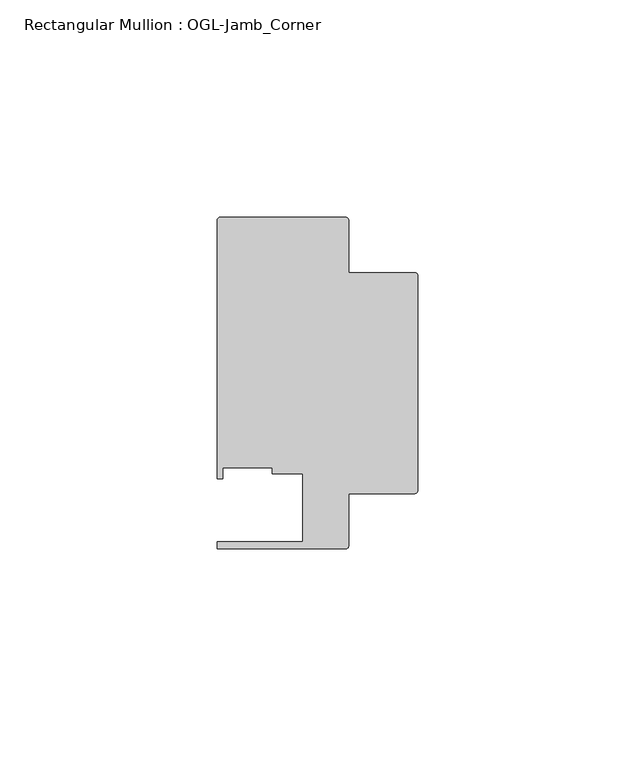
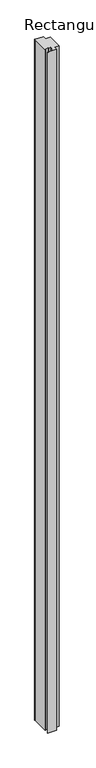
"""IFC4 building model written with IfcOpenShell, lengths in millimetres: member geometry, Rectangular Mullion : OGL-Jamb_Corner."""

from ifc_helpers import new_model, si_unit, point, frame, frame_2d, origin, place, context, project, spatial, polyline, circle_curve, trimmed, segment, composite_curve, outline, extrude, source, transform, mapped, element, save


def rectangular_mullion_ogl_jamb_corner_f4b1305f(model_context):
    return source(origin(), model_context, "Body", "SweptSolid", [
        extrude(outline(composite_curve([segment(trimmed(circle_curve(frame_2d((-0.5953125, 54.9671875)), 0.5953125), [point((-0.5953125, 55.5625))], [point((0.0, 54.9671875))], False, "CARTESIAN"), True, "CONTINUOUS"), segment(polyline([(0.0, 54.9671875), (0.0, 5.3578125)]), True, "CONTINUOUS"), segment(trimmed(circle_curve(frame_2d((-0.5953125, 5.3578125)), 0.5953125), [point((0.0, 5.3578125))], [point((-0.5953125, 4.7625))], False, "CARTESIAN"), True, "CONTINUOUS"), segment(polyline([(-0.5953125, 4.7625), (-15.8750672, 4.7625), (-15.8750672, -7.3422035)]), True, "CONTINUOUS"), segment(trimmed(circle_curve(frame_2d((-16.4703797, -7.3422035)), 0.5953125), [point((-15.8750672, -7.3422035))], [point((-16.4703797, -7.937516))], False, "CARTESIAN"), True, "CONTINUOUS"), segment(polyline([(-16.4703797, -7.937516), (-46.0248655, -7.937516), (-46.0248655, -6.350016), (-26.3720794, -6.350016), (-26.3720794, 9.3367652), (-33.3985545, 9.3367652), (-33.3985545, 10.6800725), (-44.7780305, 10.6800725), (-44.7780305, 8.1914024), (-46.0339598, 8.1914024), (-46.0339598, 67.6668667)]), True, "CONTINUOUS"), segment(trimmed(circle_curve(frame_2d((-45.4386473, 67.6668667)), 0.5953125), [point((-46.0339598, 67.6668667))], [point((-45.4386473, 68.2621792))], False, "CARTESIAN"), True, "CONTINUOUS"), segment(polyline([(-45.4386473, 68.2621792), (-16.4703797, 68.2621792)]), True, "CONTINUOUS"), segment(trimmed(circle_curve(frame_2d((-16.4703797, 67.6668667)), 0.5953125), [point((-16.4703797, 68.2621792))], [point((-15.8750672, 67.6668667))], False, "CARTESIAN"), True, "CONTINUOUS"), segment(polyline([(-15.8750672, 67.6668667), (-15.8750672, 55.5625), (-0.5953125, 55.5625)]), True, "CONTINUOUS")], self_intersect=False)), frame((0.0, 0.0, -2438.4), z_axis=(0.0, 0.0, 1.0), x_axis=(1.0, 0.0, 0.0)), (0.0, 0.0, 1.0), 2438.4),
    ])


if __name__ == "__main__":
    model = new_model("IFC4")
    model_context = context("Model", 3, world=origin())
    ifc_project = project(units=[si_unit("LENGTHUNIT", "METRE", prefix="MILLI")], contexts=[model_context])
    site = spatial("IfcSite", under=ifc_project)
    building = spatial("IfcBuilding", under=site)
    placement = place(None, origin())
    rectangular_mullion_ogl_jamb_corner_shape = rectangular_mullion_ogl_jamb_corner_f4b1305f(model_context)
    element("IfcMember", 1, ObjectType="Rectangular Mullion : OGL-Jamb_Corner", at=placement, inside=building, context=model_context, shape_type="MappedRepresentation", body=[
        mapped(rectangular_mullion_ogl_jamb_corner_shape, transform((0.0, 0.0, 0.0), x_axis=(1.0, 0.0, 0.0), y_axis=(0.0, 1.0, 0.0), z_axis=(0.0, 0.0, 1.0))),
    ])
    save(model, "model.ifc")
